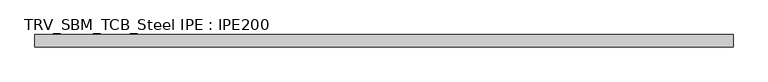
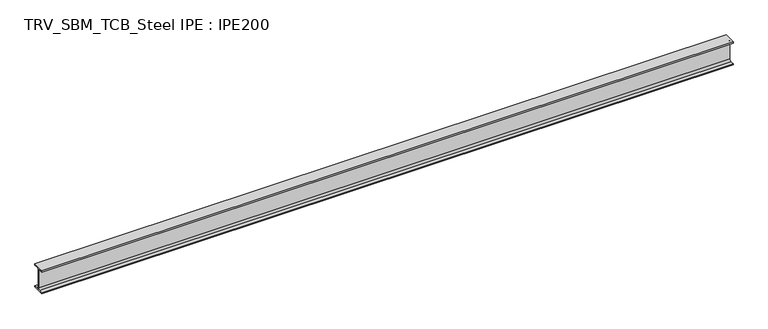
"""IFC4 building model written with IfcOpenShell, lengths in millimetres: beam geometry, TRV_SBM_TCB_Steel IPE : IPE200."""

from ifc_helpers import new_model, si_unit, point, frame, frame_2d, origin, place, context, project, spatial, polyline, circle_curve, trimmed, segment, composite_curve, outline, extrude, source, transform, mapped, element, save


def trv_sbm_tcb_steel_ipe_ipe200_a072b675(model_context):
    return source(origin(), model_context, "Body", "SweptSolid", [
        extrude(outline(composite_curve([segment(polyline([(50.0, -89.3), (50.0, -100.0), (-50.0, -100.0), (-50.0, -89.3), (-18.55, -89.3)]), True, "CONTINUOUS"), segment(trimmed(circle_curve(frame_2d((-18.55, -74.3)), 15.0), [point((-18.55, -89.3))], [point((-3.55, -74.3))], True, "CARTESIAN"), True, "CONTINUOUS"), segment(polyline([(-3.55, -74.3), (-3.55, 74.3)]), True, "CONTINUOUS"), segment(trimmed(circle_curve(frame_2d((-18.55, 74.3)), 15.0), [point((-3.55, 74.3))], [point((-18.55, 89.3))], True, "CARTESIAN"), True, "CONTINUOUS"), segment(polyline([(-18.55, 89.3), (-50.0, 89.3), (-50.0, 100.0), (50.0, 100.0), (50.0, 89.3), (18.55, 89.3)]), True, "CONTINUOUS"), segment(trimmed(circle_curve(frame_2d((18.55, 74.3)), 15.0), [point((18.55, 89.3))], [point((3.55, 74.3))], True, "CARTESIAN"), True, "CONTINUOUS"), segment(polyline([(3.55, 74.3), (3.55, -74.3)]), True, "CONTINUOUS"), segment(trimmed(circle_curve(frame_2d((18.55, -74.3)), 15.0), [point((3.55, -74.3))], [point((18.55, -89.3))], True, "CARTESIAN"), True, "CONTINUOUS"), segment(polyline([(18.55, -89.3), (50.0, -89.3)]), True, "CONTINUOUS")], self_intersect=False)), frame((-2822.5, 0.0, 0.0), z_axis=(1.0, 0.0, 0.0), x_axis=(0.0, 1.0, 0.0)), (0.0, 0.0, 1.0), 5665.0),
    ])


if __name__ == "__main__":
    model = new_model("IFC4")
    model_context = context("Model", 3, world=origin())
    ifc_project = project(units=[si_unit("LENGTHUNIT", "METRE", prefix="MILLI")], contexts=[model_context])
    site = spatial("IfcSite", under=ifc_project)
    building = spatial("IfcBuilding", under=site)
    placement = place(None, origin())
    trv_sbm_tcb_steel_ipe_ipe200_shape = trv_sbm_tcb_steel_ipe_ipe200_a072b675(model_context)
    element("IfcBeam", 1, ObjectType="TRV_SBM_TCB_Steel IPE : IPE200", at=placement, inside=building, context=model_context, shape_type="MappedRepresentation", body=[
        mapped(trv_sbm_tcb_steel_ipe_ipe200_shape, transform((0.0, 0.0, 0.0), x_axis=(1.0, 0.0, 0.0), y_axis=(0.0, 1.0, 0.0), z_axis=(0.0, 0.0, 1.0))),
    ])
    save(model, "model.ifc")
